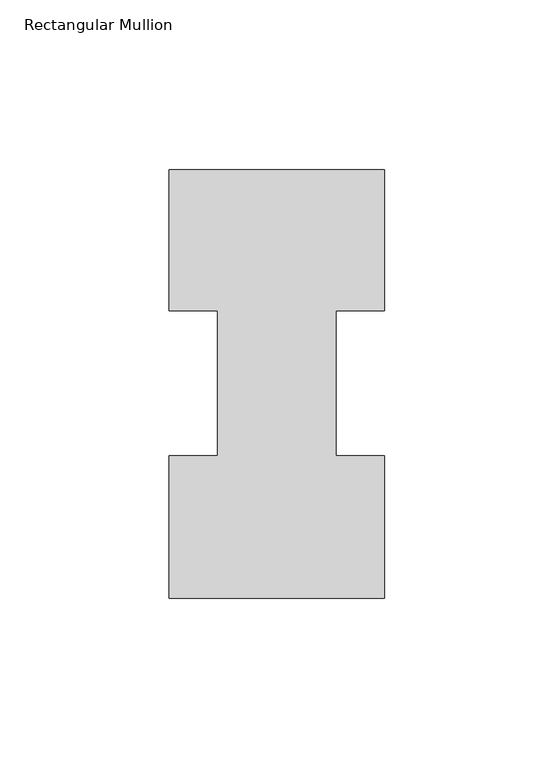
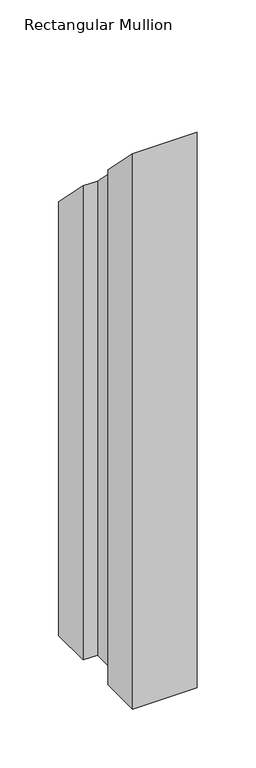
"""IFC4 building model written with IfcOpenShell, lengths in millimetres: member geometry, Rectangular Mullion."""

from ifc_helpers import new_model, si_unit, origin, place, context, project, spatial, faceted_brep, source, transform, mapped, element, save


def rectangular_mullion_37f602e0(model_context):
    return source(origin(), model_context, "Body", "Brep", [
        faceted_brep([(-63.5, 0.04445, -577.85), (-63.5, 42.08145, -577.85), (-49.2125, 42.08145, -577.85), (-49.2125, 84.93125, -577.85), (-63.5, 84.93125, -577.85), (-63.5, 126.53645, -577.85), (0.0, 126.53645, -577.85), (0.0, 84.93125, -577.85), (-14.2748, 84.93125, -577.85), (-14.2748, 42.08145, -577.85), (0.0, 42.08145, -577.85), (0.0, 0.04445, -577.85), (0.0, 0.04445, -0.04445), (-63.5, 0.04445, -0.04445), (0.0, 42.08145, -42.08145), (-14.2748, 42.08145, -42.08145), (-14.2748, 84.93125, -84.93125), (0.0, 84.93125, -84.93125), (0.0, 126.53645, -126.53645), (-63.5, 126.53645, -126.53645), (-63.5, 84.93125, -84.93125), (-49.2125, 84.93125, -84.93125), (-49.2125, 42.08145, -42.08145), (-63.5, 42.08145, -42.08145)], [[[0, 1, 2, 3, 4, 5, 6, 7, 8, 9, 10, 11]], [[12, 13, 0, 11]], [[14, 12, 11, 10]], [[15, 14, 10, 9]], [[16, 15, 9, 8]], [[17, 16, 8, 7]], [[18, 17, 7, 6]], [[19, 18, 6, 5]], [[20, 19, 5, 4]], [[21, 20, 4, 3]], [[22, 21, 3, 2]], [[23, 22, 2, 1]], [[13, 23, 1, 0]], [[13, 12, 14, 15, 16, 17, 18, 19, 20, 21, 22, 23]]]),
    ])


if __name__ == "__main__":
    model = new_model("IFC4")
    model_context = context("Model", 3, world=origin())
    ifc_project = project(units=[si_unit("LENGTHUNIT", "METRE", prefix="MILLI")], contexts=[model_context])
    site = spatial("IfcSite", under=ifc_project)
    building = spatial("IfcBuilding", under=site)
    placement = place(None, origin())
    rectangular_mullion_shape = rectangular_mullion_37f602e0(model_context)
    element("IfcMember", 1, ObjectType="Rectangular Mullion", at=placement, inside=building, context=model_context, shape_type="MappedRepresentation", body=[
        mapped(rectangular_mullion_shape, transform((0.0, 0.0, 0.0), x_axis=(1.0, 0.0, 0.0), y_axis=(0.0, 1.0, 0.0), z_axis=(0.0, 0.0, 1.0))),
    ])
    save(model, "model.ifc")
